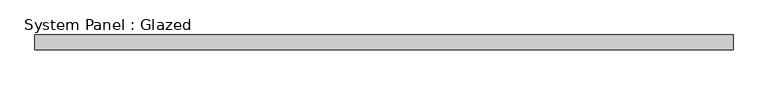
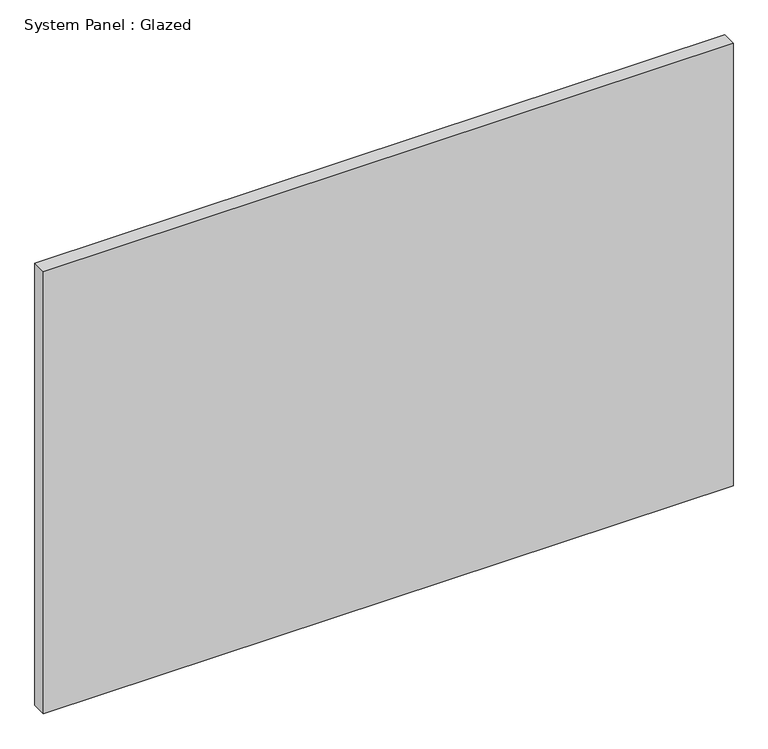
"""IFC4 building model written with IfcOpenShell, lengths in millimetres: plate geometry, System Panel : Glazed."""

from ifc_helpers import new_model, si_unit, origin, origin_with_axes, place, context, project, spatial, polyline, outline, extrude, source, transform, mapped, element, save


def system_panel_glazed_630c292a(model_context):
    return source(origin(), model_context, "Body", "SweptSolid", [
        extrude(outline(polyline([(593.65, -44.45), (-593.65, -44.45), (-593.65, -19.05), (593.65, -19.05), (593.65, -44.45)])), origin_with_axes(), (0.0, 0.0, 1.0), 804.75),
    ])


if __name__ == "__main__":
    model = new_model("IFC4")
    model_context = context("Model", 3, world=origin())
    ifc_project = project(units=[si_unit("LENGTHUNIT", "METRE", prefix="MILLI")], contexts=[model_context])
    site = spatial("IfcSite", under=ifc_project)
    building = spatial("IfcBuilding", under=site)
    placement = place(None, origin())
    system_panel_glazed_shape = system_panel_glazed_630c292a(model_context)
    element("IfcPlate", 1, ObjectType="System Panel : Glazed", at=placement, inside=building, context=model_context, shape_type="MappedRepresentation", body=[
        mapped(system_panel_glazed_shape, transform((0.0, 0.0, 0.0), x_axis=(1.0, 0.0, 0.0), y_axis=(0.0, 1.0, 0.0), z_axis=(0.0, 0.0, 1.0))),
    ])
    save(model, "model.ifc")
